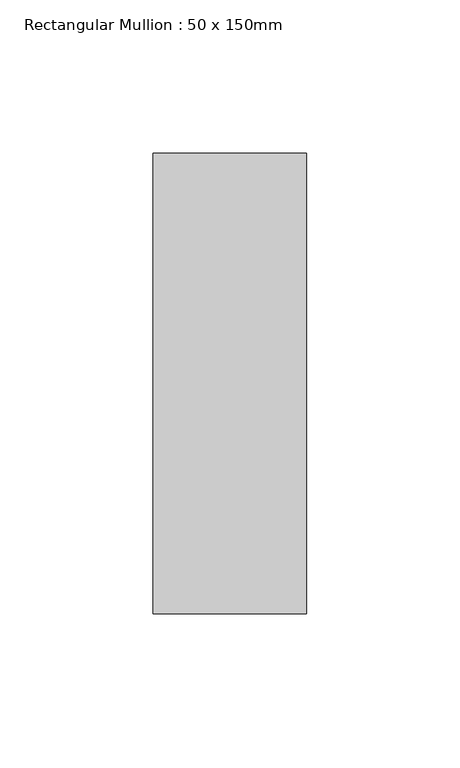
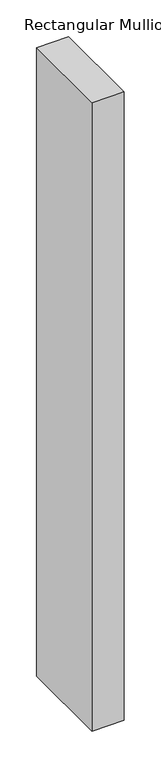
"""IFC4 building model written with IfcOpenShell, lengths in millimetres: member geometry, Rectangular Mullion : 50 x 150mm."""

from ifc_helpers import new_model, si_unit, frame, origin, place, context, project, spatial, polyline, outline, extrude, source, transform, mapped, element, save


def rectangular_mullion_50_x_150mm_4f7672e6(model_context):
    return source(origin(), model_context, "Body", "SweptSolid", [
        extrude(outline(polyline([(25.0, 75.0), (25.0, -75.0), (-25.0, -75.0), (-25.0, 75.0), (25.0, 75.0)])), frame((0.0, 0.0, -1039.3333333), z_axis=(0.0, 0.0, 1.0), x_axis=(1.0, 0.0, 0.0)), (0.0, 0.0, 1.0), 1039.3333333),
    ])


if __name__ == "__main__":
    model = new_model("IFC4")
    model_context = context("Model", 3, world=origin())
    ifc_project = project(units=[si_unit("LENGTHUNIT", "METRE", prefix="MILLI")], contexts=[model_context])
    site = spatial("IfcSite", under=ifc_project)
    building = spatial("IfcBuilding", under=site)
    placement = place(None, origin())
    rectangular_mullion_50_x_150mm_shape = rectangular_mullion_50_x_150mm_4f7672e6(model_context)
    element("IfcMember", 1, ObjectType="Rectangular Mullion : 50 x 150mm", at=placement, inside=building, context=model_context, shape_type="MappedRepresentation", body=[
        mapped(rectangular_mullion_50_x_150mm_shape, transform((0.0, 0.0, 0.0), x_axis=(1.0, 0.0, 0.0), y_axis=(0.0, 1.0, 0.0), z_axis=(0.0, 0.0, 1.0))),
    ])
    save(model, "model.ifc")
